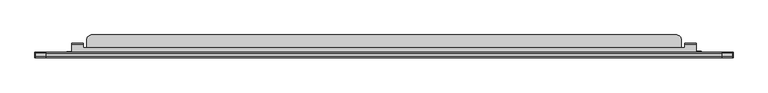
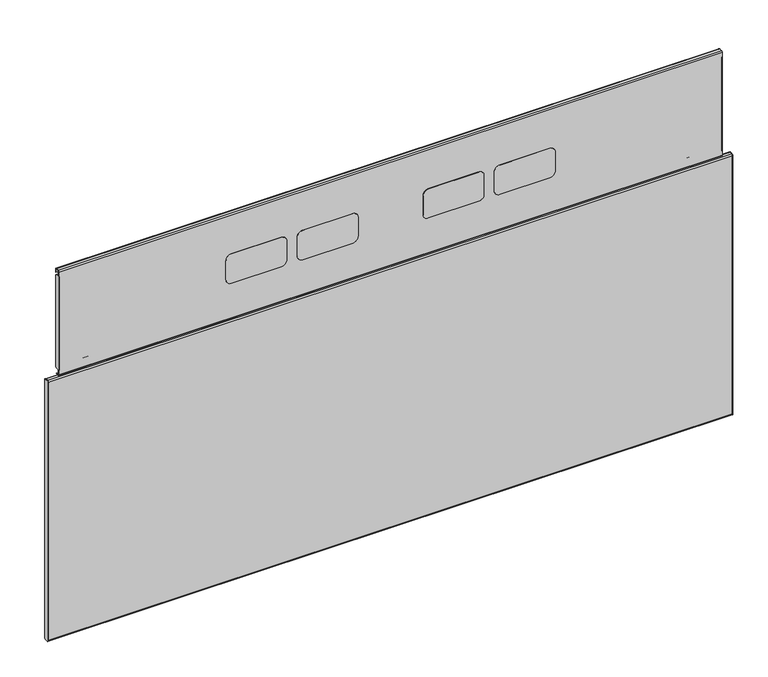
"""IFC4 building model written with IfcOpenShell, lengths in millimetres: furniture geometry."""

from ifc_helpers import new_model, si_unit, point, frame, frame_2d, origin, place, context, project, spatial, polyline, circle_curve, trimmed, segment, composite_curve, outline, extrude, source, transform, mapped, element, save
from ifc_brep_helpers import plane_surface, cylinder_surface, revolved_surface, advanced_brep


def furniture_53af5f6f(model_context):
    return source(origin(), model_context, "Body", "SolidModel", [
        extrude(outline(polyline([(590.7785834, -3.2751401), (590.7785834, -1.77654), (596.6459942, -1.77654), (598.1573118, -2.1814916), (599.2636396, -3.28784), (599.6685931, -4.7991398), (599.6685931, -6.1239397), (599.8727594, -6.8859401), (600.4306106, -7.4437628), (601.1925917, -7.6479399), (617.9917601, -7.6479399), (618.7537412, -7.4437628), (619.3115923, -6.8859401), (619.5157586, -6.1239397), (619.5157586, -4.7991398), (619.9207121, -3.28784), (621.0270399, -2.1814916), (622.5383575, -1.77654), (628.4057683, -1.77654), (628.4057683, -3.2751401), (622.5383575, -3.2751401), (621.7763401, -3.4793172), (621.2185253, -4.0371399), (621.014359, -4.7991398), (621.014359, -6.1239397), (620.6094055, -7.6352397), (619.5030414, -8.7415885), (617.9917601, -9.1465398), (601.1925917, -9.1465398), (599.6813104, -8.7415885), (598.5749462, -7.6352397), (598.1699927, -6.1239397), (598.1699927, -4.7991398), (597.9658264, -4.0371399), (597.4080116, -3.4793172), (596.6459942, -3.2751401), (590.7785834, -3.2751401)])), frame((0.0, 0.0, 13.511849), z_axis=(0.0, 0.0, 1.0), x_axis=(1.0, 0.0, 0.0)), (0.0, 0.0, 1.0), 465.0000042),
        extrude(outline(composite_curve([segment(polyline([(-2.8205708, 12.9809891), (-10.0583999, 12.9809891), (-10.0583999, 500.6190067), (-2.6612792, 500.6190067)]), True, "CONTINUOUS"), segment(trimmed(circle_curve(frame_2d((-2.6612792, 498.4911276)), 2.1278792), [point((-2.6612792, 500.6190067))], [point((-0.5334, 498.4911276))], False, "CARTESIAN"), True, "CONTINUOUS"), segment(polyline([(-0.5334, 498.4911276), (-0.5334, 15.2681599)]), True, "CONTINUOUS"), segment(trimmed(circle_curve(frame_2d((-2.8205708, 15.2681599)), 2.2871708), [point((-0.5334, 15.2681599))], [point((-2.8205708, 12.9809891))], False, "CARTESIAN"), True, "CONTINUOUS")], self_intersect=False)), frame((1216.272496, 0.0, 0.0), z_axis=(1.0, 0.0, 0.0), x_axis=(0.0, 1.0, 0.0)), (0.0, 0.0, 1.0), 0.9274807),
        extrude(outline(composite_curve([segment(polyline([(-2.8205708, 12.9809891), (-10.0583999, 12.9809891), (-10.0583999, 500.6190067), (-2.6612792, 500.6190067)]), True, "CONTINUOUS"), segment(trimmed(circle_curve(frame_2d((-2.6612792, 498.4911276)), 2.1278792), [point((-2.6612792, 500.6190067))], [point((-0.5334, 498.4911276))], False, "CARTESIAN"), True, "CONTINUOUS"), segment(polyline([(-0.5334, 498.4911276), (-0.5334, 15.2681599)]), True, "CONTINUOUS"), segment(trimmed(circle_curve(frame_2d((-2.8205708, 15.2681599)), 2.2871708), [point((-0.5334, 15.2681599))], [point((-2.8205708, 12.9809891))], False, "CARTESIAN"), True, "CONTINUOUS")], self_intersect=False)), frame((1.9999956, 0.0, 0.0), z_axis=(1.0, 0.0, 0.0), x_axis=(0.0, 1.0, 0.0)), (0.0, 0.0, 1.0), 0.9118601),
        extrude(outline(polyline([(76.8619872, 1216.272496), (437.5000033, 1216.272496), (437.5000033, 1204.150981), (207.099986, 1204.150981), (207.099986, 1209.7399812), (156.5539797, 1209.7399812), (156.5539797, 1204.150981), (76.8619872, 1204.150981), (76.8619872, 1216.272496)])), frame((0.0, -1.62433, 0.0), z_axis=(0.0, 1.0, 0.0), x_axis=(0.0, 0.0, 1.0)), (0.0, 0.0, 1.0), 0.7986162),
        extrude(outline(polyline([(76.8619872, 2.9118557), (76.8619872, 13.0489957), (156.5539797, 13.0489957), (156.5539797, 7.4599956), (207.099986, 7.4599956), (207.099986, 13.0489957), (437.5000033, 13.0489957), (437.5000033, 2.9118557), (76.8619872, 2.9118557)])), frame((0.0, -1.62433, 0.0), z_axis=(0.0, 1.0, 0.0), x_axis=(0.0, 0.0, 1.0)), (0.0, 0.0, 1.0), 0.7986162),
        extrude(outline(composite_curve([segment(trimmed(circle_curve(frame_2d((-2.8131195, 498.7202595)), 2.2797196), [point((-2.8131195, 500.9999791))], [point((-0.5334, 498.7202595))], False, "CARTESIAN"), True, "CONTINUOUS"), segment(polyline([(-0.5334, 498.7202595), (-0.5334, 486.0902061), (-1.44526, 486.0902061), (-1.44526, 498.7756083)]), True, "CONTINUOUS"), segment(trimmed(circle_curve(frame_2d((-2.7577679, 498.7756083)), 1.3125079), [point((-1.44526, 498.7756083))], [point((-2.7577679, 500.0881162))], True, "CARTESIAN"), True, "CONTINUOUS"), segment(polyline([(-2.7577679, 500.0881162), (-7.8778208, 500.0881162)]), True, "CONTINUOUS"), segment(trimmed(circle_curve(frame_2d((-7.8778208, 498.8193972)), 1.2687189), [point((-7.8778208, 500.0881162))], [point((-9.1465398, 498.8193972))], True, "CARTESIAN"), True, "CONTINUOUS"), segment(polyline([(-9.1465398, 498.8193972), (-9.1465398, 14.9389212)]), True, "CONTINUOUS"), segment(trimmed(circle_curve(frame_2d((-7.7194675, 14.9389212)), 1.4270722), [point((-9.1465398, 14.9389212))], [point((-7.7194675, 13.511849))], True, "CARTESIAN"), True, "CONTINUOUS"), segment(polyline([(-7.7194675, 13.511849), (-2.7776146, 13.511849)]), True, "CONTINUOUS"), segment(trimmed(circle_curve(frame_2d((-2.7776146, 14.8442036)), 1.3323546), [point((-2.7776146, 13.511849))], [point((-1.44526, 14.8442036))], True, "CARTESIAN"), True, "CONTINUOUS"), segment(polyline([(-1.44526, 14.8442036), (-1.44526, 24.5989482), (-0.5334, 24.5989482), (-0.5334, 14.8055187)]), True, "CONTINUOUS"), segment(trimmed(circle_curve(frame_2d((-2.7389292, 14.8055187)), 2.2055292), [point((-0.5334, 14.8055187))], [point((-2.7389292, 12.5999894))], False, "CARTESIAN"), True, "CONTINUOUS"), segment(polyline([(-2.7389292, 12.5999894), (-7.949738, 12.5999894)]), True, "CONTINUOUS"), segment(trimmed(circle_curve(frame_2d((-7.949738, 14.7086513)), 2.1086618), [point((-7.949738, 12.5999894))], [point((-10.0583999, 14.7086513))], False, "CARTESIAN"), True, "CONTINUOUS"), segment(polyline([(-10.0583999, 14.7086513), (-10.0583999, 498.8134963)]), True, "CONTINUOUS"), segment(trimmed(circle_curve(frame_2d((-7.8719171, 498.8134963)), 2.1864828), [point((-10.0583999, 498.8134963))], [point((-7.8719171, 500.9999791))], False, "CARTESIAN"), True, "CONTINUOUS"), segment(polyline([(-7.8719171, 500.9999791), (-2.8131195, 500.9999791)]), True, "CONTINUOUS")], self_intersect=False)), frame((2.9118557, 0.0, 0.0), z_axis=(1.0, 0.0, 0.0), x_axis=(0.0, 1.0, 0.0)), (0.0, 0.0, 1.0), 1213.3606403),
        advanced_brep(
        [(1152.8385851, 14.1265997, 484.7619804), (1152.8385851, 14.9858193, 484.7619804), (1152.8385851, 14.9858193, 502.7217435), (1152.8385851, 12.9455677, 504.7619951), (1152.8385851, -2.0802599, 504.7619951), (1152.8385851, -2.0802599, 503.9524031), (1152.8385851, 12.5546846, 503.9524031), (1152.8385851, 14.1265997, 502.380488), (66.3614013, 14.1265997, 484.7619804), (66.3614013, 14.1265997, 502.380488), (66.3614013, 12.5546846, 503.9524031), (66.3614013, -2.0802599, 503.9524031), (66.3614013, -2.0802599, 504.7619951), (66.3614013, 12.9455677, 504.7619951), (66.3614013, 14.9858193, 502.7217435), (66.3614013, 14.9858193, 484.7619804), (1132.8385704, 14.1265997, 484.7619804), (1132.8385704, 14.9858193, 484.7619804), (86.3614023, 14.9858193, 484.7619804), (86.3614023, 14.1265997, 484.7619804), (1132.8385704, 14.9858193, 502.7217435), (86.3614023, 14.9858193, 502.7217435), (1132.8385704, 12.9455677, 504.7619951), (86.3614023, 12.9455677, 504.7619951), (1132.8385704, 6.8866, 504.7619951), (86.3614023, 6.8866, 504.7619951), (86.3614023, 12.5546846, 503.9524031), (86.3614023, 6.8866, 503.9524031), (1132.8385704, 6.8866, 503.9524031), (1132.8385704, 12.5546846, 503.9524031), (1132.8385704, 14.1265997, 502.380488), (86.3614023, 14.1265997, 502.380488)],
        [
            (0, 1),
            (1, 2),
            (2, 3, circle_curve(frame((1152.8385851, 12.9455677, 502.7217435), z_axis=(1.0, 0.0, 0.0), x_axis=(0.0, 1.0, 0.0)), 2.0402516)),
            (3, 4),
            (4, 5),
            (5, 6),
            (6, 7, circle_curve(frame((1152.8385851, 12.5546846, 502.380488), z_axis=(-1.0, 0.0, 0.0), x_axis=(0.0, 1.0, 0.0)), 1.571915)),
            (7, 0),
            (8, 9),
            (9, 10, circle_curve(frame((66.3614013, 12.5546846, 502.380488), z_axis=(1.0, 0.0, 0.0), x_axis=(0.0, 1.0, 0.0)), 1.571915)),
            (10, 11),
            (11, 12),
            (12, 13),
            (13, 14, circle_curve(frame((66.3614013, 12.9455677, 502.7217435), z_axis=(-1.0, 0.0, 0.0), x_axis=(0.0, 1.0, 0.0)), 2.0402516)),
            (14, 15),
            (15, 8),
            (0, 16),
            (16, 17),
            (17, 1),
            (15, 18),
            (18, 19),
            (19, 8),
            (17, 20),
            (20, 2),
            (14, 21),
            (21, 18),
            (20, 22, circle_curve(frame((1132.8385704, 12.9455677, 502.7217435), z_axis=(1.0, 0.0, 0.0), x_axis=(0.0, 1.0, 0.0)), 2.0402516)),
            (22, 3),
            (13, 23),
            (23, 21, circle_curve(frame((86.3614023, 12.9455677, 502.7217435), z_axis=(-1.0, 0.0, 0.0), x_axis=(0.0, 1.0, 0.0)), 2.0402516)),
            (22, 24),
            (24, 25),
            (25, 23),
            (12, 4),
            (11, 5),
            (10, 26),
            (26, 27),
            (27, 28),
            (28, 29),
            (29, 6),
            (29, 30, circle_curve(frame((1132.8385704, 12.5546846, 502.380488), z_axis=(-1.0, 0.0, 0.0), x_axis=(0.0, 1.0, 0.0)), 1.571915)),
            (30, 7),
            (9, 31),
            (31, 26, circle_curve(frame((86.3614023, 12.5546846, 502.380488), z_axis=(1.0, 0.0, 0.0), x_axis=(0.0, 1.0, 0.0)), 1.571915)),
            (30, 16),
            (19, 31),
            (27, 25),
            (24, 28),
        ],
        [
            plane_surface(frame((1152.8385851, 14.1265997, 484.7619804), z_axis=(1.0, 0.0, 0.0), x_axis=(0.0, 1.0, 0.0))),
            plane_surface(frame((66.3614013, 14.1265997, 484.7619804), z_axis=(-1.0, 0.0, 0.0), x_axis=(0.0, -1.0, 0.0))),
            plane_surface(frame((1152.8385851, 14.1265997, 484.7619804), z_axis=(0.0, 0.0, -1.0), x_axis=(-1.0, 0.0, 0.0))),
            plane_surface(frame((1152.8385851, 14.9858193, 484.7619804), z_axis=(0.0, 1.0, 0.0), x_axis=(-1.0, 0.0, 0.0))),
            cylinder_surface(frame((66.3614013, 12.9455677, 502.7217435), z_axis=(1.0, 0.0, 0.0), x_axis=(0.0, 1.0, 0.0)), 2.0402516),
            plane_surface(frame((1152.8385851, 12.9455677, 504.7619951), z_axis=(0.0, 0.0, 1.0), x_axis=(-1.0, 0.0, 0.0))),
            plane_surface(frame((1152.8385851, -2.0802599, 504.7619951), z_axis=(0.0, -1.0, 0.0), x_axis=(-1.0, 0.0, 0.0))),
            plane_surface(frame((1152.8385851, -2.0802599, 503.9524031), z_axis=(0.0, 0.0, -1.0), x_axis=(-1.0, 0.0, 0.0))),
            revolved_surface(polyline([(1132.8385704, 14.1265996, 502.380488), (1152.8385851, 14.1265996, 502.380488)]), (66.3614013, 12.5546846, 502.380488), (-1.0, 0.0, 0.0)),
            revolved_surface(polyline([(66.3614013, 14.1265996, 502.380488), (86.3614023, 14.1265996, 502.380488)]), (66.3614013, 12.5546846, 502.380488), (-1.0, 0.0, 0.0)),
            plane_surface(frame((1152.8385851, 14.1265997, 502.380488), z_axis=(0.0, -1.0, 0.0), x_axis=(-1.0, 0.0, 0.0))),
            plane_surface(frame((86.3614023, 6.8866, 504.7619951), z_axis=(0.0, 1.0, 0.0), x_axis=(0.0, 0.0, -1.0))),
            plane_surface(frame((1132.8385704, 6.8866, 504.7619951), z_axis=(-1.0, 0.0, 0.0), x_axis=(0.0, 0.0, -1.0))),
            plane_surface(frame((86.3614023, 14.9858193, 504.7619951), z_axis=(1.0, 0.0, 0.0), x_axis=(0.0, 0.0, -1.0))),
        ],
        [
            (0, [[1, 2, 3, 4, 5, 6, 7, 8]]),
            (1, [[9, 10, 11, 12, 13, 14, 15, 16]]),
            (2, [[-1, 17, 18, 19]]),
            (2, [[-16, 20, 21, 22]]),
            (3, [[-2, -19, 23, 24]]),
            (3, [[-15, 25, 26, -20]]),
            (4, [[-3, -24, 27, 28]]),
            (4, [[-14, 29, 30, -25]]),
            (5, [[-4, -28, 31, 32, 33, -29, -13, 34]]),
            (6, [[-5, -34, -12, 35]]),
            (7, [[-6, -35, -11, 36, 37, 38, 39, 40]]),
            (8, [[-7, -40, 41, 42]]),
            (9, [[-10, 43, 44, -36]]),
            (10, [[-8, -42, 45, -17]]),
            (10, [[-9, -22, 46, -43]]),
            (11, [[47, -32, 48, -38]]),
            (12, [[-48, -31, -27, -23, -18, -45, -41, -39]]),
            (13, [[-47, -37, -44, -46, -21, -26, -30, -33]]),
        ],
    ),
        advanced_brep(
        [(1161.988608, 0.3766, 481.0000008), (1161.988608, 0.3766, 499.2323507), (1161.988608, 0.8833113, 500.0149173), (1161.988608, 0.8833113, 500.9515261), (1161.988608, -0.5334, 499.164291), (1161.988608, -0.5334, 481.0000008), (57.1999969, -0.5334, 481.0000008), (57.1999969, -0.5334, 499.164291), (57.1999969, -0.00254, 500.4554821), (57.1999969, -0.00254, 481.0000008), (66.3614013, 0.3766, 481.0000008), (66.3614013, 0.3766, 499.2323507), (66.3614013, 1.2342549, 500.0900056), (1150.8385846, 1.2342549, 500.0900056), (1150.8385846, 0.8833113, 500.0149173), (92.2113995, 21.4666006, 500.0900056), (93.2832, 25.4665995, 500.0900056), (96.2114006, 28.3948024, 500.0900056), (100.2114018, 29.4666006, 500.0900056), (1119.0721778, 29.4666006, 500.0900056), (1123.0721789, 28.3948024, 500.0900056), (1126.0003795, 25.4665995, 500.0900056), (1127.07218, 21.4666006, 500.0900056), (1127.07218, 6.8866, 500.0900056), (1150.8385846, 6.8866, 500.0900056), (66.3614013, 6.8866, 500.0900056), (92.2113995, 6.8866, 500.0900056), (100.2114018, 29.4666006, 500.9999791), (1119.0721778, 29.4666006, 500.9999791), (93.2832, 25.4665995, 500.9999791), (92.2113995, 21.4666006, 500.9999791), (92.2113995, 6.8866, 500.9999791), (66.3614013, 6.8866, 500.9999791), (66.3614013, 1.3022882, 500.9999791), (1150.8385846, 1.3022882, 500.9999791), (1150.8385846, 6.8866, 500.9999791), (1127.07218, 6.8866, 500.9999791), (1127.07218, 21.4666006, 500.9999791), (1126.0003795, 25.4665995, 500.9999791), (1123.0721789, 28.3948024, 500.9999791), (96.2114006, 28.3948024, 500.9999791), (1150.8385846, 0.8833113, 500.9515261), (66.3614013, -0.00254, 500.4554821), (66.3614013, -0.00254, 481.0000008)],
        [
            (0, 1),
            (1, 2, circle_curve(frame((1161.988608, 1.2342549, 499.2323507), z_axis=(-1.0, 0.0, 0.0), x_axis=(0.0, 1.0, 0.0)), 0.8576549)),
            (2, 3),
            (3, 4, circle_curve(frame((1161.988608, 1.3022882, 499.164291), z_axis=(1.0, 0.0, 0.0), x_axis=(0.0, 1.0, 0.0)), 1.8356882)),
            (4, 5),
            (5, 0),
            (6, 7),
            (7, 8, circle_curve(frame((57.1999969, 1.3022882, 499.164291), z_axis=(-1.0, 0.0, 0.0), x_axis=(0.0, 1.0, 0.0)), 1.8356882)),
            (8, 9),
            (9, 6),
            (0, 10),
            (10, 11),
            (11, 1),
            (11, 12, circle_curve(frame((66.3614013, 1.2342549, 499.2323507), z_axis=(-1.0, 0.0, 0.0), x_axis=(0.0, 1.0, 0.0)), 0.8576549)),
            (12, 13),
            (13, 14, circle_curve(frame((1150.8385846, 1.2342549, 499.2323507), z_axis=(1.0, 0.0, 0.0), x_axis=(0.0, 1.0, 0.0)), 0.8576549)),
            (14, 2),
            (15, 16),
            (16, 17),
            (17, 18),
            (18, 19),
            (19, 20),
            (20, 21),
            (21, 22),
            (22, 23),
            (23, 24),
            (24, 13),
            (12, 25),
            (25, 26),
            (26, 15),
            (18, 27),
            (27, 28),
            (28, 19),
            (29, 30),
            (30, 31),
            (31, 32),
            (32, 33),
            (33, 34),
            (34, 35),
            (35, 36),
            (36, 37),
            (37, 38),
            (38, 39),
            (39, 28),
            (27, 40),
            (40, 29),
            (7, 4),
            (3, 41),
            (41, 34, circle_curve(frame((1150.8385846, 1.3022882, 499.164291), z_axis=(-1.0, 0.0, 0.0), x_axis=(0.0, 1.0, 0.0)), 1.8356882)),
            (33, 42, circle_curve(frame((66.3614013, 1.3022882, 499.164291), z_axis=(1.0, 0.0, 0.0), x_axis=(0.0, 1.0, 0.0)), 1.8356882)),
            (42, 8),
            (6, 5),
            (9, 43),
            (43, 10),
            (15, 30),
            (29, 16),
            (40, 17),
            (42, 43),
            (32, 25),
            (31, 26),
            (21, 38),
            (37, 22),
            (20, 39),
            (14, 41),
            (24, 35),
            (23, 36),
        ],
        [
            plane_surface(frame((1161.988608, 0.3766, 494.4355179), z_axis=(1.0, 0.0, 0.0), x_axis=(0.0, 0.0, 1.0))),
            plane_surface(frame((57.1999969, 0.3766, 494.4355179), z_axis=(-1.0, 0.0, 0.0), x_axis=(0.0, 0.0, -1.0))),
            plane_surface(frame((1161.988608, 0.3766, 481.0000008), z_axis=(0.0, 1.0, 0.0), x_axis=(-1.0, 0.0, 0.0))),
            revolved_surface(polyline([(66.3614013, 2.0919098, 499.2323507), (1161.988608, 2.0919098, 499.2323507)]), (57.1999969, 1.2342549, 499.2323507), (-1.0, 0.0, 0.0)),
            plane_surface(frame((1161.988608, 1.2342549, 500.0900056), z_axis=(0.0, 0.0, -1.0), x_axis=(-1.0, 0.0, 0.0))),
            plane_surface(frame((1161.988608, 29.4666006, 500.0900056), z_axis=(0.0, 1.0, 0.0), x_axis=(-1.0, 0.0, 0.0))),
            plane_surface(frame((1161.988608, 29.4666006, 500.9999791), z_axis=(0.0, 0.0, 1.0), x_axis=(-1.0, 0.0, 0.0))),
            cylinder_surface(frame((57.1999969, 1.3022882, 499.164291), z_axis=(1.0, 0.0, 0.0), x_axis=(0.0, 1.0, 0.0)), 1.8356882),
            plane_surface(frame((1161.988608, -0.5334, 499.164291), z_axis=(0.0, -1.0, 0.0), x_axis=(-1.0, 0.0, 0.0))),
            plane_surface(frame((1161.988608, -0.5334, 481.0000008), z_axis=(0.0, 0.0, -1.0), x_axis=(-1.0, 0.0, 0.0))),
            plane_surface(frame((92.2113995, 21.4666006, 533.1392388), z_axis=(-0.9659255828324517, 0.2588199536932742, 0.0), x_axis=(0.0, 0.0, -1.0))),
            plane_surface(frame((93.2832, 25.4665995, 533.1392388), z_axis=(-0.707107055381215, 0.7071065069917737, 0.0), x_axis=(0.0, 0.0, -1.0))),
            plane_surface(frame((96.2114006, 28.3948024, 533.1392388), z_axis=(-0.25881930494190625, 0.9659257566652774, 0.0), x_axis=(0.0, 0.0, -1.0))),
            plane_surface(frame((57.2114011, -0.00254, 533.1392388), z_axis=(0.0, 1.0, 0.0), x_axis=(0.0, 0.0, -1.0))),
            plane_surface(frame((66.3614013, -0.00254, 533.1392388), z_axis=(-1.0, 0.0, 0.0), x_axis=(0.0, 0.0, -1.0))),
            plane_surface(frame((66.3614013, 6.8866, 533.1392388), z_axis=(0.0, 1.0, 0.0), x_axis=(0.0, 0.0, -1.0))),
            plane_surface(frame((92.2113995, 6.8866, 533.1392388), z_axis=(-1.0, 0.0, 0.0), x_axis=(0.0, 0.0, -1.0))),
            plane_surface(frame((1126.0003795, 25.4665995, 531.699196), z_axis=(0.9659255828324518, 0.258819953693274, 0.0), x_axis=(0.0, 0.0, -1.0))),
            plane_surface(frame((1123.0721789, 28.3948024, 531.699196), z_axis=(0.707107055381215, 0.7071065069917737, 0.0), x_axis=(0.0, 0.0, -1.0))),
            plane_surface(frame((1119.0721778, 29.4666006, 531.699196), z_axis=(0.25881930494190625, 0.9659257566652774, 0.0), x_axis=(0.0, 0.0, -1.0))),
            plane_surface(frame((1150.8385846, 0.8833113, 531.699196), z_axis=(0.0, 1.0, 0.0), x_axis=(0.0, 0.0, -1.0))),
            plane_surface(frame((1150.8385846, 6.8866, 531.699196), z_axis=(1.0, 0.0, 0.0), x_axis=(0.0, 0.0, -1.0))),
            plane_surface(frame((1127.07218, 6.8866, 531.699196), z_axis=(0.0, 1.0, 0.0), x_axis=(0.0, 0.0, -1.0))),
            plane_surface(frame((1127.07218, 21.4666006, 531.699196), z_axis=(1.0, 0.0, 0.0), x_axis=(0.0, 0.0, -1.0))),
        ],
        [
            (0, [[1, 2, 3, 4, 5, 6]]),
            (1, [[7, 8, 9, 10]]),
            (2, [[-1, 11, 12, 13]]),
            (3, [[-13, 14, 15, 16, 17, -2]]),
            (4, [[18, 19, 20, 21, 22, 23, 24, 25, 26, 27, -15, 28, 29, 30]]),
            (5, [[31, 32, 33, -21]]),
            (6, [[34, 35, 36, 37, 38, 39, 40, 41, 42, 43, 44, -32, 45, 46]]),
            (7, [[47, -4, 48, 49, -38, 50, 51, -8]]),
            (8, [[-5, -47, -7, 52]]),
            (9, [[-6, -52, -10, 53, 54, -11]]),
            (10, [[55, -34, 56, -18]]),
            (11, [[-56, -46, 57, -19]]),
            (12, [[-57, -45, -31, -20]]),
            (13, [[58, -53, -9, -51]]),
            (14, [[-58, -50, -37, 59, -28, -14, -12, -54]]),
            (15, [[-59, -36, 60, -29]]),
            (16, [[-55, -30, -60, -35]]),
            (17, [[61, -42, 62, -24]]),
            (18, [[-61, -23, 63, -43]]),
            (19, [[-63, -22, -33, -44]]),
            (20, [[64, -48, -3, -17]]),
            (21, [[-64, -16, -27, 65, -39, -49]]),
            (22, [[-65, -26, 66, -40]]),
            (23, [[-66, -25, -62, -41]]),
        ],
    ),
        extrude(outline(composite_curve([segment(polyline([(616.0389877, 317.758802), (580.6970512, 317.758802)]), True, "CONTINUOUS"), segment(trimmed(circle_curve(frame_2d((580.6970512, 327.294023)), 9.535221), [point((580.6970512, 317.758802))], [point((571.1618302, 327.294023))], False, "CARTESIAN"), True, "CONTINUOUS"), segment(polyline([(571.1618302, 327.294023), (571.1618302, 415.9669938)]), True, "CONTINUOUS"), segment(trimmed(circle_curve(frame_2d((580.9036446, 415.9669938)), 9.7418143), [point((571.1618302, 415.9669938))], [point((580.9036446, 425.7088081))], False, "CARTESIAN"), True, "CONTINUOUS"), segment(polyline([(580.9036446, 425.7088081), (616.7203082, 425.7088081)]), True, "CONTINUOUS"), segment(trimmed(circle_curve(frame_2d((616.7203082, 416.4032762)), 9.3055319), [point((616.7203082, 425.7088081))], [point((626.0258401, 416.4032762))], False, "CARTESIAN"), True, "CONTINUOUS"), segment(polyline([(626.0258401, 416.4032762), (626.0258401, 327.7456544)]), True, "CONTINUOUS"), segment(trimmed(circle_curve(frame_2d((616.0389877, 327.7456544)), 9.9868524), [point((626.0258401, 327.7456544))], [point((616.0389877, 317.758802))], False, "CARTESIAN"), True, "CONTINUOUS")], self_intersect=False)), frame((0.0, -10.4020823, 0.0), z_axis=(0.0, 1.0, 0.0), x_axis=(0.0, 0.0, 1.0)), (0.0, 0.0, 1.0), 0.2886826),
        extrude(outline(composite_curve([segment(polyline([(616.0389877, 444.0476051), (580.6970512, 444.0476051)]), True, "CONTINUOUS"), segment(trimmed(circle_curve(frame_2d((580.6970512, 453.5828261)), 9.535221), [point((580.6970512, 444.0476051))], [point((571.1618302, 453.5828261))], False, "CARTESIAN"), True, "CONTINUOUS"), segment(polyline([(571.1618302, 453.5828261), (571.1618302, 542.2557787)]), True, "CONTINUOUS"), segment(trimmed(circle_curve(frame_2d((580.9036446, 542.2557787)), 9.7418143), [point((571.1618302, 542.2557787))], [point((580.9036446, 551.997593))], False, "CARTESIAN"), True, "CONTINUOUS"), segment(polyline([(580.9036446, 551.997593), (616.7203082, 551.997593)]), True, "CONTINUOUS"), segment(trimmed(circle_curve(frame_2d((616.7203082, 542.6920611)), 9.3055319), [point((616.7203082, 551.997593))], [point((626.0258401, 542.6920611))], False, "CARTESIAN"), True, "CONTINUOUS"), segment(polyline([(626.0258401, 542.6920611), (626.0258401, 454.0344575)]), True, "CONTINUOUS"), segment(trimmed(circle_curve(frame_2d((616.0389877, 454.0344575)), 9.9868524), [point((626.0258401, 454.0344575))], [point((616.0389877, 444.0476051))], False, "CARTESIAN"), True, "CONTINUOUS")], self_intersect=False)), frame((0.0, -10.4020823, 0.0), z_axis=(0.0, 1.0, 0.0), x_axis=(0.0, 0.0, 1.0)), (0.0, 0.0, 1.0), 0.2886826),
        extrude(outline(composite_curve([segment(polyline([(616.0389877, 667.3851962), (580.6970512, 667.3851962)]), True, "CONTINUOUS"), segment(trimmed(circle_curve(frame_2d((580.6970512, 676.9204172)), 9.535221), [point((580.6970512, 667.3851962))], [point((571.1618302, 676.9204172))], False, "CARTESIAN"), True, "CONTINUOUS"), segment(polyline([(571.1618302, 676.9204172), (571.1618302, 765.5933698)]), True, "CONTINUOUS"), segment(trimmed(circle_curve(frame_2d((580.9036446, 765.5933698)), 9.7418143), [point((571.1618302, 765.5933698))], [point((580.9036446, 775.3351841))], False, "CARTESIAN"), True, "CONTINUOUS"), segment(polyline([(580.9036446, 775.3351841), (616.7203082, 775.3351841)]), True, "CONTINUOUS"), segment(trimmed(circle_curve(frame_2d((616.7203082, 766.0296522)), 9.3055319), [point((616.7203082, 775.3351841))], [point((626.0258401, 766.0296522))], False, "CARTESIAN"), True, "CONTINUOUS"), segment(polyline([(626.0258401, 766.0296522), (626.0258401, 677.3720486)]), True, "CONTINUOUS"), segment(trimmed(circle_curve(frame_2d((616.0389877, 677.3720486)), 9.9868524), [point((626.0258401, 677.3720486))], [point((616.0389877, 667.3851962))], False, "CARTESIAN"), True, "CONTINUOUS")], self_intersect=False)), frame((0.0, -10.4020823, 0.0), z_axis=(0.0, 1.0, 0.0), x_axis=(0.0, 0.0, 1.0)), (0.0, 0.0, 1.0), 0.2886826),
        extrude(outline(composite_curve([segment(polyline([(616.0389877, 793.6739811), (580.6970512, 793.6739811)]), True, "CONTINUOUS"), segment(trimmed(circle_curve(frame_2d((580.6970512, 803.2092021)), 9.535221), [point((580.6970512, 793.6739811))], [point((571.1618302, 803.2092021))], False, "CARTESIAN"), True, "CONTINUOUS"), segment(polyline([(571.1618302, 803.2092021), (571.1618302, 891.8821729)]), True, "CONTINUOUS"), segment(trimmed(circle_curve(frame_2d((580.9036446, 891.8821729)), 9.7418143), [point((571.1618302, 891.8821729))], [point((580.9036446, 901.6239872))], False, "CARTESIAN"), True, "CONTINUOUS"), segment(polyline([(580.9036446, 901.6239872), (616.7203082, 901.6239872)]), True, "CONTINUOUS"), segment(trimmed(circle_curve(frame_2d((616.7203082, 892.3184553)), 9.3055319), [point((616.7203082, 901.6239872))], [point((626.0258401, 892.3184553))], False, "CARTESIAN"), True, "CONTINUOUS"), segment(polyline([(626.0258401, 892.3184553), (626.0258401, 803.6608335)]), True, "CONTINUOUS"), segment(trimmed(circle_curve(frame_2d((616.0389877, 803.6608335)), 9.9868524), [point((626.0258401, 803.6608335))], [point((616.0389877, 793.6739811))], False, "CARTESIAN"), True, "CONTINUOUS")], self_intersect=False)), frame((0.0, -10.4020823, 0.0), z_axis=(0.0, 1.0, 0.0), x_axis=(0.0, 0.0, 1.0)), (0.0, 0.0, 1.0), 0.2886826),
        extrude(outline(composite_curve([segment(trimmed(circle_curve(frame_2d((-3.7291712, 686.8262094)), 3.1957713), [point((-3.7291712, 690.0219807))], [point((-0.5334, 686.8262094))], False, "CARTESIAN"), True, "CONTINUOUS"), segment(polyline([(-0.5334, 686.8262094), (-0.5334, 518.3179711)]), True, "CONTINUOUS"), segment(trimmed(circle_curve(frame_2d((-3.8693602, 518.3179711)), 3.3359602), [point((-0.5334, 518.3179711))], [point((-3.8693602, 514.9820108))], False, "CARTESIAN"), True, "CONTINUOUS"), segment(polyline([(-3.8693602, 514.9820108), (-10.1133997, 514.9820108), (-10.1133997, 690.0219807), (-3.7291712, 690.0219807)]), True, "CONTINUOUS")], self_intersect=False)), frame((1197.0225161, 0.0, 0.0), z_axis=(1.0, 0.0, 0.0), x_axis=(0.0, 1.0, 0.0)), (0.0, 0.0, 1.0), 0.8160839),
        extrude(outline(composite_curve([segment(trimmed(circle_curve(frame_2d((-3.7291712, 686.8262094)), 3.1957713), [point((-3.7291712, 690.0219807))], [point((-0.5334, 686.8262094))], False, "CARTESIAN"), True, "CONTINUOUS"), segment(polyline([(-0.5334, 686.8262094), (-0.5334, 518.3179711)]), True, "CONTINUOUS"), segment(trimmed(circle_curve(frame_2d((-3.8693602, 518.3179711)), 3.3359602), [point((-0.5334, 518.3179711))], [point((-3.8693602, 514.9820108))], False, "CARTESIAN"), True, "CONTINUOUS"), segment(polyline([(-3.8693602, 514.9820108), (-10.1133997, 514.9820108), (-10.1133997, 690.0219807), (-3.7291712, 690.0219807)]), True, "CONTINUOUS")], self_intersect=False)), frame((21.3614, 0.0, 0.0), z_axis=(1.0, 0.0, 0.0), x_axis=(0.0, 1.0, 0.0)), (0.0, 0.0, 1.0), 0.8160953),
        extrude(outline(composite_curve([segment(trimmed(circle_curve(frame_2d((-8.0812247, 505.9349516)), 1.1729565), [point((-9.2541812, 505.9349516))], [point((-8.0812247, 504.7619951))], True, "CARTESIAN"), True, "CONTINUOUS"), segment(polyline([(-8.0812247, 504.7619951), (-2.0802599, 504.7619951), (-2.0802599, 503.9524031), (-7.8210029, 503.9524031)]), True, "CONTINUOUS"), segment(trimmed(circle_curve(frame_2d((-7.8210029, 506.2447998)), 2.2923967), [point((-7.8210029, 503.9524031))], [point((-10.1133997, 506.2447998))], False, "CARTESIAN"), True, "CONTINUOUS"), segment(polyline([(-10.1133997, 506.2447998), (-10.1133997, 698.9356498)]), True, "CONTINUOUS"), segment(trimmed(circle_curve(frame_2d((-8.0470704, 698.9356498)), 2.0663293), [point((-10.1133997, 698.9356498))], [point((-8.0470704, 701.0019791))], False, "CARTESIAN"), True, "CONTINUOUS"), segment(polyline([(-8.0470704, 701.0019791), (-2.6421502, 701.0019791)]), True, "CONTINUOUS"), segment(trimmed(circle_curve(frame_2d((-2.6421502, 698.8591335)), 2.1428456), [point((-2.6421502, 701.0019791))], [point((-0.4993046, 698.8591335))], False, "CARTESIAN"), True, "CONTINUOUS"), segment(polyline([(-0.4993046, 698.8591335), (-0.4993046, 693.0032856), (-1.2934, 693.0032856), (-1.2934, 698.9068456)]), True, "CONTINUOUS"), segment(trimmed(circle_curve(frame_2d((-2.6285508, 698.9068456)), 1.3351508), [point((-1.2934, 698.9068456))], [point((-2.6285508, 700.2419964))], True, "CARTESIAN"), True, "CONTINUOUS"), segment(polyline([(-2.6285508, 700.2419964), (-7.9847197, 700.2419964)]), True, "CONTINUOUS"), segment(trimmed(circle_curve(frame_2d((-7.9847197, 698.9725349)), 1.2694615), [point((-7.9847197, 700.2419964))], [point((-9.2541812, 698.9725349))], True, "CARTESIAN"), True, "CONTINUOUS"), segment(polyline([(-9.2541812, 698.9725349), (-9.2541812, 505.9349516)]), True, "CONTINUOUS")], self_intersect=False)), frame((21.3614, 0.0, 0.0), z_axis=(1.0, 0.0, 0.0), x_axis=(0.0, 1.0, 0.0)), (0.0, 0.0, 1.0), 1176.4772),
    ])


if __name__ == "__main__":
    model = new_model("IFC4")
    model_context = context("Model", 3, world=origin())
    ifc_project = project(units=[si_unit("LENGTHUNIT", "METRE", prefix="MILLI")], contexts=[model_context])
    site = spatial("IfcSite", under=ifc_project)
    building = spatial("IfcBuilding", under=site)
    placement = place(None, origin())
    furniture_shape = furniture_53af5f6f(model_context)
    element("IfcFurniture", 1, at=placement, inside=building, context=model_context, shape_type="MappedRepresentation", body=[
        mapped(furniture_shape, transform((0.0, 0.0, 0.0), x_axis=(1.0, 0.0, 0.0), y_axis=(0.0, 1.0, 0.0), z_axis=(0.0, 0.0, 1.0))),
    ])
    save(model, "model.ifc")
